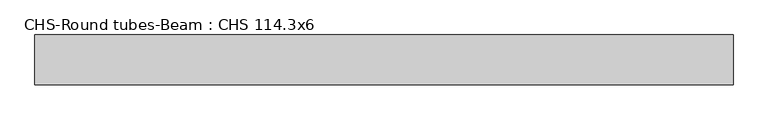
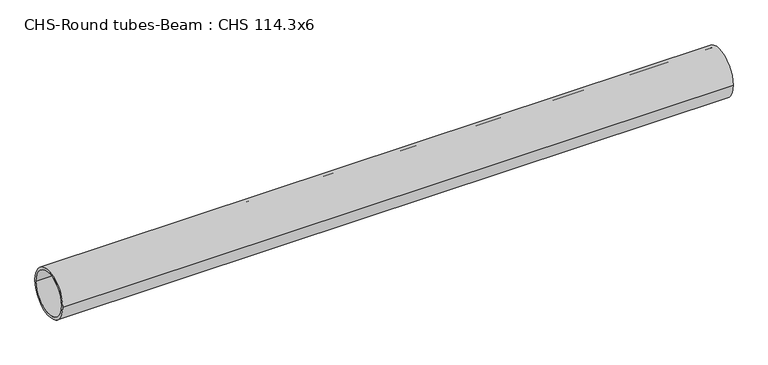
"""IFC4 building model written with IfcOpenShell, lengths in millimetres: beam geometry, CHS-Round tubes-Beam : CHS 114.3x6."""

from ifc_helpers import new_model, si_unit, point, frame, origin, origin_2d, place, context, project, spatial, circle_curve, trimmed, segment, composite_curve, outline, extrude, source, transform, mapped, element, save


def chs_round_tubes_beam_chs_114_3x6_42a3bfc4(model_context):
    return source(origin(), model_context, "Body", "SweptSolid", [
        extrude(outline(composite_curve([segment(trimmed(circle_curve(origin_2d(), 57.15), [point((57.15, 0.0))], [point((-57.15, 0.0))], False, "CARTESIAN"), True, "CONTINUOUS"), segment(trimmed(circle_curve(origin_2d(), 57.15), [point((-57.15, 0.0))], [point((57.15, 0.0))], False, "CARTESIAN"), True, "CONTINUOUS")], self_intersect=False), holes=[composite_curve([segment(trimmed(circle_curve(origin_2d(), 51.15), [point((51.15, 0.0))], [point((-51.15, 0.0))], True, "CARTESIAN"), True, "CONTINUOUS"), segment(trimmed(circle_curve(origin_2d(), 51.15), [point((-51.15, 0.0))], [point((51.15, 0.0))], True, "CARTESIAN"), True, "CONTINUOUS")], self_intersect=False)]), frame((-789.9824045, 0.0, 0.0), z_axis=(1.0, 0.0, 0.0), x_axis=(0.0, 1.0, 0.0)), (0.0, 0.0, 1.0), 1594.1255727),
    ])


if __name__ == "__main__":
    model = new_model("IFC4")
    model_context = context("Model", 3, world=origin())
    ifc_project = project(units=[si_unit("LENGTHUNIT", "METRE", prefix="MILLI")], contexts=[model_context])
    site = spatial("IfcSite", under=ifc_project)
    building = spatial("IfcBuilding", under=site)
    placement = place(None, origin())
    chs_round_tubes_beam_chs_114_3x6_shape = chs_round_tubes_beam_chs_114_3x6_42a3bfc4(model_context)
    element("IfcBeam", 1, ObjectType="CHS-Round tubes-Beam : CHS 114.3x6", at=placement, inside=building, context=model_context, shape_type="MappedRepresentation", body=[
        mapped(chs_round_tubes_beam_chs_114_3x6_shape, transform((0.0, 0.0, 0.0), x_axis=(1.0, 0.0, 0.0), y_axis=(0.0, 1.0, 0.0), z_axis=(0.0, 0.0, 1.0))),
    ])
    save(model, "model.ifc")
